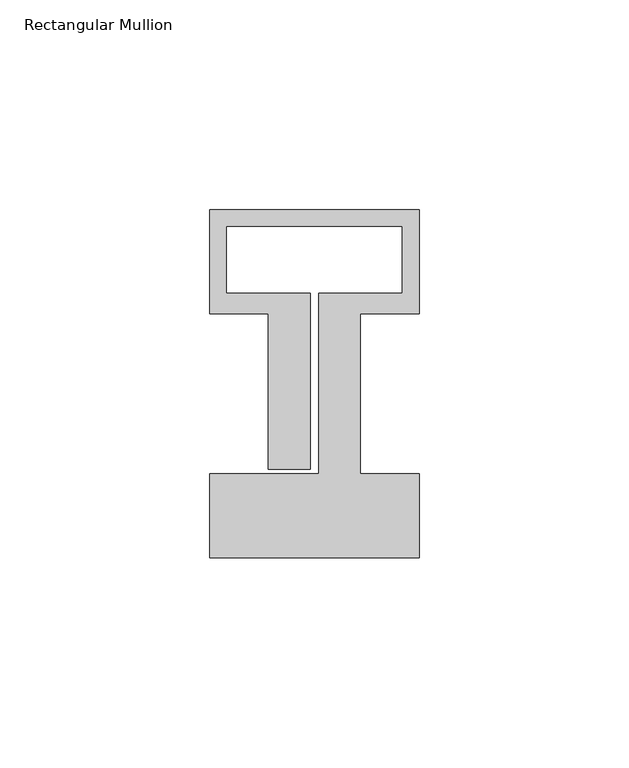
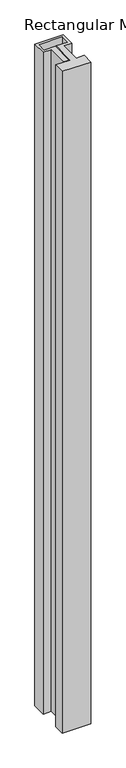
"""IFC4 building model written with IfcOpenShell, lengths in millimetres: member geometry, Rectangular Mullion."""

from ifc_helpers import new_model, si_unit, frame, origin, place, context, project, spatial, polyline, outline, extrude, source, transform, mapped, element, save


def rectangular_mullion_cff248f2(model_context):
    return source(origin(), model_context, "Body", "SweptSolid", [
        extrude(outline(polyline([(25.0, -58.0), (-25.0, -58.0), (-25.0, -38.0), (1.0, -38.0), (1.0, 5.0), (21.0, 5.0), (21.0, 21.0), (-21.0, 21.0), (-21.0, 5.0), (-1.0, 5.0), (-1.0, -37.0), (-11.0, -37.0), (-11.0, 0.1), (-25.0, 0.1), (-25.0, 25.0), (25.0, 25.0), (25.0, 0.1), (11.0, 0.1), (11.0, -38.0), (25.0, -38.0), (25.0, -58.0)])), frame((0.0, 0.0, -1228.5714288), z_axis=(0.0, 0.0, 1.0), x_axis=(1.0, 0.0, 0.0)), (0.0, 0.0, 1.0), 1228.5714288),
    ])


if __name__ == "__main__":
    model = new_model("IFC4")
    model_context = context("Model", 3, world=origin())
    ifc_project = project(units=[si_unit("LENGTHUNIT", "METRE", prefix="MILLI")], contexts=[model_context])
    site = spatial("IfcSite", under=ifc_project)
    building = spatial("IfcBuilding", under=site)
    placement = place(None, origin())
    rectangular_mullion_shape = rectangular_mullion_cff248f2(model_context)
    element("IfcMember", 1, ObjectType="Rectangular Mullion", at=placement, inside=building, context=model_context, shape_type="MappedRepresentation", body=[
        mapped(rectangular_mullion_shape, transform((0.0, 0.0, 0.0), x_axis=(1.0, 0.0, 0.0), y_axis=(0.0, 1.0, 0.0), z_axis=(0.0, 0.0, 1.0))),
    ])
    save(model, "model.ifc")
